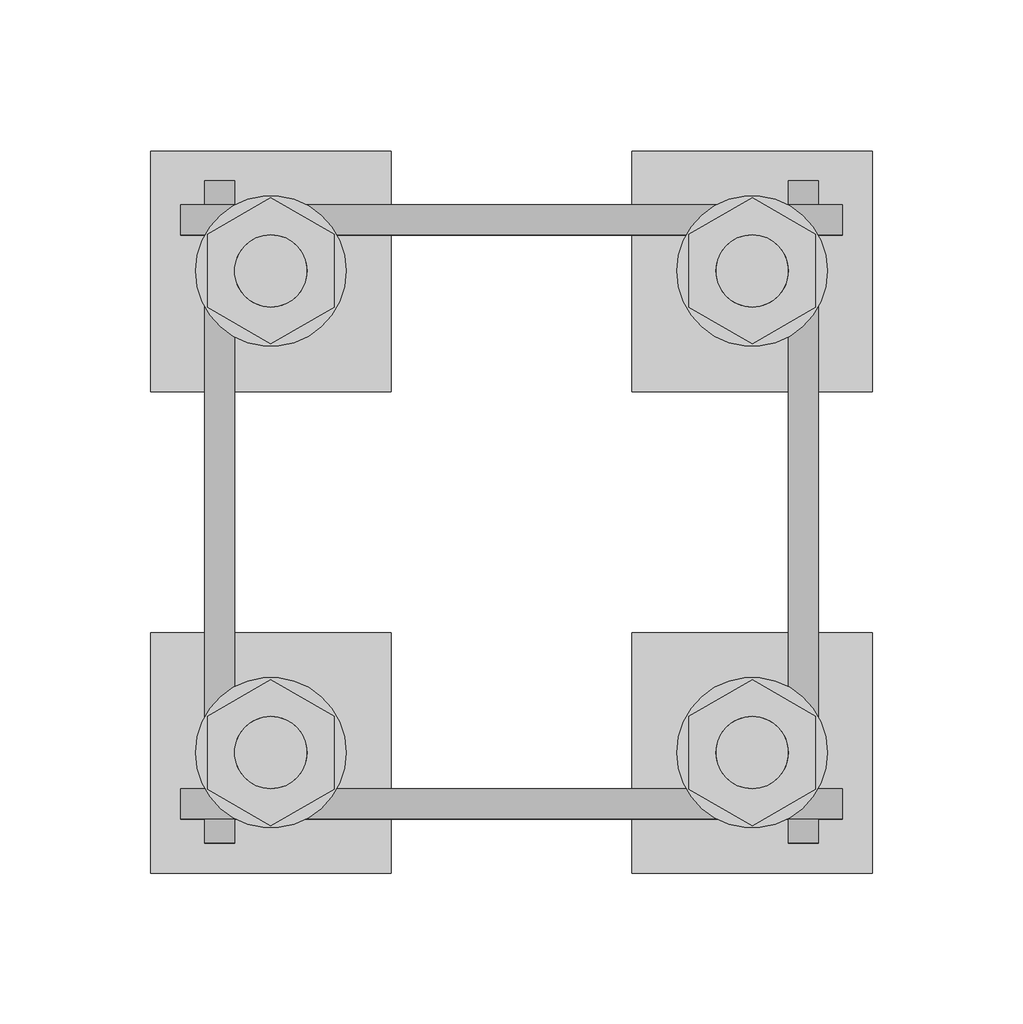
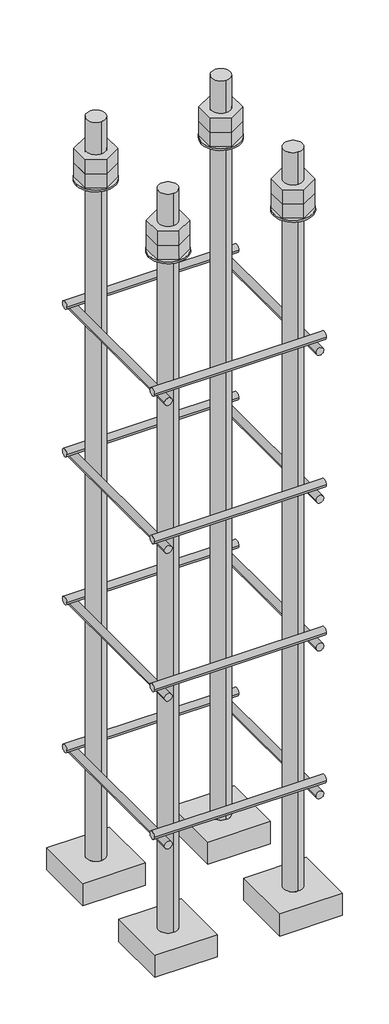
# One storey, part 23 of 66: 1 fastener.
"""IFC4 building model written with IfcOpenShell, lengths in millimetres."""

from ifc_helpers import new_model, si_unit, point, frame, frame_2d, origin, place, context, project, spatial, polyline, circle_curve, trimmed, segment, composite_curve, outline, extrude, element, save
from ifc_brep_helpers import plane_surface, cylinder_surface, advanced_brep

model = new_model("IFC4")

# Units and contexts
model_context = context("Model", 3, world=origin())
ifc_project = project(units=[si_unit("LENGTHUNIT", "METRE", prefix="MILLI")], contexts=[model_context])

# Site, building, storey
site = spatial("IfcSite", under=ifc_project)
building = spatial("IfcBuilding", under=site)
storey = spatial("IfcBuildingStorey", under=building, Elevation=9070.0)

# Fastener
placement = place(None, origin())
element("IfcFastener", 1, ObjectType="AU1 : AU-01", at=placement, inside=storey, context=model_context, shape_type="SolidModel", body=[
    extrude(outline(composite_curve([segment(trimmed(circle_curve(frame_2d((14703.0, 8595.0)), 5.0), [point((14698.0, 8595.0))], [point((14708.0, 8595.0))], False, "CARTESIAN"), True, "CONTINUOUS"), segment(trimmed(circle_curve(frame_2d((14703.0, 8595.0)), 5.0), [point((14708.0, 8595.0))], [point((14698.0, 8595.0))], False, "CARTESIAN"), True, "CONTINUOUS")], self_intersect=False)), frame((53040.0, 0.0, 0.0), z_axis=(1.0, 0.0, 0.0), x_axis=(0.0, 1.0, 0.0)), (0.0, 0.0, 1.0), 220.0),
    extrude(outline(composite_curve([segment(trimmed(circle_curve(frame_2d((14897.0, 8595.0)), 5.0), [point((14902.0, 8595.0))], [point((14892.0, 8595.0))], False, "CARTESIAN"), True, "CONTINUOUS"), segment(trimmed(circle_curve(frame_2d((14897.0, 8595.0)), 5.0), [point((14892.0, 8595.0))], [point((14902.0, 8595.0))], False, "CARTESIAN"), True, "CONTINUOUS")], self_intersect=False)), frame((53040.0, 0.0, 0.0), z_axis=(1.0, 0.0, 0.0), x_axis=(0.0, 1.0, 0.0)), (0.0, 0.0, 1.0), 220.0),
    extrude(outline(composite_curve([segment(trimmed(circle_curve(frame_2d((8585.0, 53053.0)), 5.0), [point((8585.0, 53048.0))], [point((8585.0, 53058.0))], False, "CARTESIAN"), True, "CONTINUOUS"), segment(trimmed(circle_curve(frame_2d((8585.0, 53053.0)), 5.0), [point((8585.0, 53058.0))], [point((8585.0, 53048.0))], False, "CARTESIAN"), True, "CONTINUOUS")], self_intersect=False)), frame((0.0, 14690.0, 0.0), z_axis=(0.0, 1.0, 0.0), x_axis=(0.0, 0.0, 1.0)), (0.0, 0.0, 1.0), 220.0),
    extrude(outline(composite_curve([segment(trimmed(circle_curve(frame_2d((8585.0, 53247.0)), 5.0), [point((8585.0, 53252.0))], [point((8585.0, 53242.0))], False, "CARTESIAN"), True, "CONTINUOUS"), segment(trimmed(circle_curve(frame_2d((8585.0, 53247.0)), 5.0), [point((8585.0, 53242.0))], [point((8585.0, 53252.0))], False, "CARTESIAN"), True, "CONTINUOUS")], self_intersect=False)), frame((0.0, 14690.0, 0.0), z_axis=(0.0, 1.0, 0.0), x_axis=(0.0, 0.0, 1.0)), (0.0, 0.0, 1.0), 220.0),
    extrude(outline(composite_curve([segment(trimmed(circle_curve(frame_2d((14703.0, 8795.0)), 5.0), [point((14698.0, 8795.0))], [point((14708.0, 8795.0))], False, "CARTESIAN"), True, "CONTINUOUS"), segment(trimmed(circle_curve(frame_2d((14703.0, 8795.0)), 5.0), [point((14708.0, 8795.0))], [point((14698.0, 8795.0))], False, "CARTESIAN"), True, "CONTINUOUS")], self_intersect=False)), frame((53040.0, 0.0, 0.0), z_axis=(1.0, 0.0, 0.0), x_axis=(0.0, 1.0, 0.0)), (0.0, 0.0, 1.0), 220.0),
    extrude(outline(composite_curve([segment(trimmed(circle_curve(frame_2d((14897.0, 8795.0)), 5.0), [point((14902.0, 8795.0))], [point((14892.0, 8795.0))], False, "CARTESIAN"), True, "CONTINUOUS"), segment(trimmed(circle_curve(frame_2d((14897.0, 8795.0)), 5.0), [point((14892.0, 8795.0))], [point((14902.0, 8795.0))], False, "CARTESIAN"), True, "CONTINUOUS")], self_intersect=False)), frame((53040.0, 0.0, 0.0), z_axis=(1.0, 0.0, 0.0), x_axis=(0.0, 1.0, 0.0)), (0.0, 0.0, 1.0), 220.0),
    extrude(outline(composite_curve([segment(trimmed(circle_curve(frame_2d((8785.0, 53053.0)), 5.0), [point((8785.0, 53048.0))], [point((8785.0, 53058.0))], False, "CARTESIAN"), True, "CONTINUOUS"), segment(trimmed(circle_curve(frame_2d((8785.0, 53053.0)), 5.0), [point((8785.0, 53058.0))], [point((8785.0, 53048.0))], False, "CARTESIAN"), True, "CONTINUOUS")], self_intersect=False)), frame((0.0, 14690.0, 0.0), z_axis=(0.0, 1.0, 0.0), x_axis=(0.0, 0.0, 1.0)), (0.0, 0.0, 1.0), 220.0),
    extrude(outline(composite_curve([segment(trimmed(circle_curve(frame_2d((8785.0, 53247.0)), 5.0), [point((8785.0, 53252.0))], [point((8785.0, 53242.0))], False, "CARTESIAN"), True, "CONTINUOUS"), segment(trimmed(circle_curve(frame_2d((8785.0, 53247.0)), 5.0), [point((8785.0, 53242.0))], [point((8785.0, 53252.0))], False, "CARTESIAN"), True, "CONTINUOUS")], self_intersect=False)), frame((0.0, 14690.0, 0.0), z_axis=(0.0, 1.0, 0.0), x_axis=(0.0, 0.0, 1.0)), (0.0, 0.0, 1.0), 220.0),
    extrude(outline(composite_curve([segment(trimmed(circle_curve(frame_2d((14703.0, 8995.0)), 5.0), [point((14698.0, 8995.0))], [point((14708.0, 8995.0))], False, "CARTESIAN"), True, "CONTINUOUS"), segment(trimmed(circle_curve(frame_2d((14703.0, 8995.0)), 5.0), [point((14708.0, 8995.0))], [point((14698.0, 8995.0))], False, "CARTESIAN"), True, "CONTINUOUS")], self_intersect=False)), frame((53040.0, 0.0, 0.0), z_axis=(1.0, 0.0, 0.0), x_axis=(0.0, 1.0, 0.0)), (0.0, 0.0, 1.0), 220.0),
    extrude(outline(composite_curve([segment(trimmed(circle_curve(frame_2d((14897.0, 8995.0)), 5.0), [point((14902.0, 8995.0))], [point((14892.0, 8995.0))], False, "CARTESIAN"), True, "CONTINUOUS"), segment(trimmed(circle_curve(frame_2d((14897.0, 8995.0)), 5.0), [point((14892.0, 8995.0))], [point((14902.0, 8995.0))], False, "CARTESIAN"), True, "CONTINUOUS")], self_intersect=False)), frame((53040.0, 0.0, 0.0), z_axis=(1.0, 0.0, 0.0), x_axis=(0.0, 1.0, 0.0)), (0.0, 0.0, 1.0), 220.0),
    extrude(outline(composite_curve([segment(trimmed(circle_curve(frame_2d((8985.0, 53053.0)), 5.0), [point((8985.0, 53048.0))], [point((8985.0, 53058.0))], False, "CARTESIAN"), True, "CONTINUOUS"), segment(trimmed(circle_curve(frame_2d((8985.0, 53053.0)), 5.0), [point((8985.0, 53058.0))], [point((8985.0, 53048.0))], False, "CARTESIAN"), True, "CONTINUOUS")], self_intersect=False)), frame((0.0, 14690.0, 0.0), z_axis=(0.0, 1.0, 0.0), x_axis=(0.0, 0.0, 1.0)), (0.0, 0.0, 1.0), 220.0),
    extrude(outline(composite_curve([segment(trimmed(circle_curve(frame_2d((8985.0, 53247.0)), 5.0), [point((8985.0, 53252.0))], [point((8985.0, 53242.0))], False, "CARTESIAN"), True, "CONTINUOUS"), segment(trimmed(circle_curve(frame_2d((8985.0, 53247.0)), 5.0), [point((8985.0, 53242.0))], [point((8985.0, 53252.0))], False, "CARTESIAN"), True, "CONTINUOUS")], self_intersect=False)), frame((0.0, 14690.0, 0.0), z_axis=(0.0, 1.0, 0.0), x_axis=(0.0, 0.0, 1.0)), (0.0, 0.0, 1.0), 220.0),
    extrude(outline(composite_curve([segment(trimmed(circle_curve(frame_2d((14703.0, 9195.0)), 5.0), [point((14698.0, 9195.0))], [point((14708.0, 9195.0))], False, "CARTESIAN"), True, "CONTINUOUS"), segment(trimmed(circle_curve(frame_2d((14703.0, 9195.0)), 5.0), [point((14708.0, 9195.0))], [point((14698.0, 9195.0))], False, "CARTESIAN"), True, "CONTINUOUS")], self_intersect=False)), frame((53040.0, 0.0, 0.0), z_axis=(1.0, 0.0, 0.0), x_axis=(0.0, 1.0, 0.0)), (0.0, 0.0, 1.0), 220.0),
    extrude(outline(composite_curve([segment(trimmed(circle_curve(frame_2d((14897.0, 9195.0)), 5.0), [point((14902.0, 9195.0))], [point((14892.0, 9195.0))], False, "CARTESIAN"), True, "CONTINUOUS"), segment(trimmed(circle_curve(frame_2d((14897.0, 9195.0)), 5.0), [point((14892.0, 9195.0))], [point((14902.0, 9195.0))], False, "CARTESIAN"), True, "CONTINUOUS")], self_intersect=False)), frame((53040.0, 0.0, 0.0), z_axis=(1.0, 0.0, 0.0), x_axis=(0.0, 1.0, 0.0)), (0.0, 0.0, 1.0), 220.0),
    extrude(outline(composite_curve([segment(trimmed(circle_curve(frame_2d((9185.0, 53053.0)), 5.0), [point((9185.0, 53048.0))], [point((9185.0, 53058.0))], False, "CARTESIAN"), True, "CONTINUOUS"), segment(trimmed(circle_curve(frame_2d((9185.0, 53053.0)), 5.0), [point((9185.0, 53058.0))], [point((9185.0, 53048.0))], False, "CARTESIAN"), True, "CONTINUOUS")], self_intersect=False)), frame((0.0, 14690.0, 0.0), z_axis=(0.0, 1.0, 0.0), x_axis=(0.0, 0.0, 1.0)), (0.0, 0.0, 1.0), 220.0),
    extrude(outline(composite_curve([segment(trimmed(circle_curve(frame_2d((9185.0, 53247.0)), 5.0), [point((9185.0, 53252.0))], [point((9185.0, 53242.0))], False, "CARTESIAN"), True, "CONTINUOUS"), segment(trimmed(circle_curve(frame_2d((9185.0, 53247.0)), 5.0), [point((9185.0, 53242.0))], [point((9185.0, 53252.0))], False, "CARTESIAN"), True, "CONTINUOUS")], self_intersect=False)), frame((0.0, 14690.0, 0.0), z_axis=(0.0, 1.0, 0.0), x_axis=(0.0, 0.0, 1.0)), (0.0, 0.0, 1.0), 220.0),
    advanced_brep(
    [(53110.0, 14920.0, 8450.0), (53030.0, 14920.0, 8450.0), (53030.0, 14840.0, 8450.0), (53110.0, 14840.0, 8450.0), (53070.0, 14868.0, 8450.0), (53070.0, 14892.0, 8450.0), (53110.0, 14920.0, 8420.0), (53110.0, 14840.0, 8420.0), (53030.0, 14840.0, 8420.0), (53030.0, 14920.0, 8420.0), (53070.0, 14892.0, 9450.0), (53070.0, 14868.0, 9450.0)],
    [
        (0, 1),
        (1, 2),
        (2, 3),
        (3, 0),
        (4, 5, circle_curve(frame((53070.0, 14880.0, 8450.0), z_axis=(0.0, 0.0, -1.0), x_axis=(0.0, -1.0, 0.0)), 12.0)),
        (5, 4, circle_curve(frame((53070.0, 14880.0, 8450.0), z_axis=(0.0, 0.0, -1.0), x_axis=(0.0, -1.0, 0.0)), 12.0)),
        (6, 7),
        (7, 8),
        (8, 9),
        (9, 6),
        (0, 6),
        (9, 1),
        (8, 2),
        (7, 3),
        (10, 11, circle_curve(frame((53070.0, 14880.0, 9450.0), z_axis=(0.0, 0.0, 1.0), x_axis=(0.0, -1.0, 0.0)), 12.0)),
        (11, 10, circle_curve(frame((53070.0, 14880.0, 9450.0), z_axis=(0.0, 0.0, 1.0), x_axis=(0.0, -1.0, 0.0)), 12.0)),
        (10, 5),
        (4, 11),
    ],
    [
        plane_surface(frame((53030.0, 14920.0, 8450.0), z_axis=(0.0, 0.0, 1.0), x_axis=(-1.0, 0.0, 0.0))),
        plane_surface(frame((53030.0, 14920.0, 8420.0), z_axis=(0.0, 0.0, -1.0), x_axis=(1.0, 0.0, 0.0))),
        plane_surface(frame((53110.0, 14920.0, 8450.0), z_axis=(0.0, 1.0, 0.0), x_axis=(0.0, 0.0, -1.0))),
        plane_surface(frame((53030.0, 14920.0, 8450.0), z_axis=(-1.0, 0.0, 0.0), x_axis=(0.0, 0.0, -1.0))),
        plane_surface(frame((53030.0, 14840.0, 8450.0), z_axis=(0.0, -1.0, 0.0), x_axis=(0.0, 0.0, -1.0))),
        plane_surface(frame((53110.0, 14840.0, 8450.0), z_axis=(1.0, 0.0, 0.0), x_axis=(0.0, 0.0, -1.0))),
        plane_surface(frame((53070.0, 14880.0, 9450.0), z_axis=(0.0, 0.0, 1.0), x_axis=(0.0, -1.0, 0.0))),
        cylinder_surface(frame((53070.0, 14880.0, 9450.0), z_axis=(0.0, 0.0, 1.0), x_axis=(0.0, -1.0, 0.0)), 12.0),
    ],
    [
        (0, [[1, 2, 3, 4], [5, 6]]),
        (1, [[7, 8, 9, 10]]),
        (2, [[-1, 11, -10, 12]]),
        (3, [[-2, -12, -9, 13]]),
        (4, [[-3, -13, -8, 14]]),
        (5, [[-4, -14, -7, -11]]),
        (6, [[15, 16]]),
        (7, [[-15, 17, -5, 18]]),
        (7, [[-16, -18, -6, -17]]),
    ],
),
    extrude(outline(composite_curve([segment(trimmed(circle_curve(frame_2d((53070.0, 14880.0)), 25.0), [point((53095.0, 14880.0))], [point((53045.0, 14880.0))], False, "CARTESIAN"), True, "CONTINUOUS"), segment(trimmed(circle_curve(frame_2d((53070.0, 14880.0)), 25.0), [point((53045.0, 14880.0))], [point((53095.0, 14880.0))], False, "CARTESIAN"), True, "CONTINUOUS")], self_intersect=False), holes=[composite_curve([segment(trimmed(circle_curve(frame_2d((53070.0, 14880.0)), 12.0), [point((53082.0, 14880.0))], [point((53058.0, 14880.0))], True, "CARTESIAN"), True, "CONTINUOUS"), segment(trimmed(circle_curve(frame_2d((53070.0, 14880.0)), 12.0), [point((53058.0, 14880.0))], [point((53082.0, 14880.0))], True, "CARTESIAN"), True, "CONTINUOUS")], self_intersect=False)]), frame((0.0, 0.0, 9365.0), z_axis=(0.0, 0.0, 1.0), x_axis=(1.0, 0.0, 0.0)), (0.0, 0.0, 1.0), 2.5),
    extrude(outline(polyline([(53070.0, 14904.2487113), (53091.0, 14892.1243557), (53091.0, 14867.8756443), (53070.0, 14855.7512887), (53049.0, 14867.8756443), (53049.0, 14892.1243557), (53070.0, 14904.2487113)]), holes=[composite_curve([segment(trimmed(circle_curve(frame_2d((53070.0, 14880.0)), 12.0), [point((53082.0, 14880.0))], [point((53058.0, 14880.0))], True, "CARTESIAN"), True, "CONTINUOUS"), segment(trimmed(circle_curve(frame_2d((53070.0, 14880.0)), 12.0), [point((53058.0, 14880.0))], [point((53082.0, 14880.0))], True, "CARTESIAN"), True, "CONTINUOUS")], self_intersect=False)]), frame((0.0, 0.0, 9387.0), z_axis=(0.0, 0.0, 1.0), x_axis=(1.0, 0.0, 0.0)), (0.0, 0.0, 1.0), 19.5),
    extrude(outline(polyline([(53070.0, 14904.2487113), (53091.0, 14892.1243557), (53091.0, 14867.8756443), (53070.0, 14855.7512887), (53049.0, 14867.8756443), (53049.0, 14892.1243557), (53070.0, 14904.2487113)]), holes=[composite_curve([segment(trimmed(circle_curve(frame_2d((53070.0, 14880.0)), 12.0), [point((53082.0, 14880.0))], [point((53058.0, 14880.0))], True, "CARTESIAN"), True, "CONTINUOUS"), segment(trimmed(circle_curve(frame_2d((53070.0, 14880.0)), 12.0), [point((53058.0, 14880.0))], [point((53082.0, 14880.0))], True, "CARTESIAN"), True, "CONTINUOUS")], self_intersect=False)]), frame((0.0, 0.0, 9367.5), z_axis=(0.0, 0.0, 1.0), x_axis=(1.0, 0.0, 0.0)), (0.0, 0.0, 1.0), 19.5),
    advanced_brep(
    [(53190.0, 14840.0, 8450.0), (53270.0, 14840.0, 8450.0), (53270.0, 14920.0, 8450.0), (53190.0, 14920.0, 8450.0), (53230.0, 14892.0, 8450.0), (53230.0, 14868.0, 8450.0), (53190.0, 14840.0, 8420.0), (53190.0, 14920.0, 8420.0), (53270.0, 14920.0, 8420.0), (53270.0, 14840.0, 8420.0), (53230.0, 14868.0, 9450.0), (53230.0, 14892.0, 9450.0)],
    [
        (0, 1),
        (1, 2),
        (2, 3),
        (3, 0),
        (4, 5, circle_curve(frame((53230.0, 14880.0, 8450.0), z_axis=(0.0, 0.0, -1.0), x_axis=(0.0, 1.0, 0.0)), 12.0)),
        (5, 4, circle_curve(frame((53230.0, 14880.0, 8450.0), z_axis=(0.0, 0.0, -1.0), x_axis=(0.0, 1.0, 0.0)), 12.0)),
        (6, 7),
        (7, 8),
        (8, 9),
        (9, 6),
        (0, 6),
        (9, 1),
        (8, 2),
        (7, 3),
        (10, 11, circle_curve(frame((53230.0, 14880.0, 9450.0), z_axis=(0.0, 0.0, 1.0), x_axis=(0.0, 1.0, 0.0)), 12.0)),
        (11, 10, circle_curve(frame((53230.0, 14880.0, 9450.0), z_axis=(0.0, 0.0, 1.0), x_axis=(0.0, 1.0, 0.0)), 12.0)),
        (10, 5),
        (4, 11),
    ],
    [
        plane_surface(frame((53270.0, 14840.0, 8450.0), z_axis=(0.0, 0.0, 1.0), x_axis=(1.0, 0.0, 0.0))),
        plane_surface(frame((53270.0, 14840.0, 8420.0), z_axis=(0.0, 0.0, -1.0), x_axis=(-1.0, 0.0, 0.0))),
        plane_surface(frame((53190.0, 14840.0, 8450.0), z_axis=(0.0, -1.0, 0.0), x_axis=(0.0, 0.0, -1.0))),
        plane_surface(frame((53270.0, 14840.0, 8450.0), z_axis=(1.0, 0.0, 0.0), x_axis=(0.0, 0.0, -1.0))),
        plane_surface(frame((53270.0, 14920.0, 8450.0), z_axis=(0.0, 1.0, 0.0), x_axis=(0.0, 0.0, -1.0))),
        plane_surface(frame((53190.0, 14920.0, 8450.0), z_axis=(-1.0, 0.0, 0.0), x_axis=(0.0, 0.0, -1.0))),
        plane_surface(frame((53230.0, 14880.0, 9450.0), z_axis=(0.0, 0.0, 1.0), x_axis=(0.0, 1.0, 0.0))),
        cylinder_surface(frame((53230.0, 14880.0, 9450.0), z_axis=(0.0, 0.0, 1.0), x_axis=(0.0, 1.0, 0.0)), 12.0),
    ],
    [
        (0, [[1, 2, 3, 4], [5, 6]]),
        (1, [[7, 8, 9, 10]]),
        (2, [[-1, 11, -10, 12]]),
        (3, [[-2, -12, -9, 13]]),
        (4, [[-3, -13, -8, 14]]),
        (5, [[-4, -14, -7, -11]]),
        (6, [[15, 16]]),
        (7, [[-15, 17, -5, 18]]),
        (7, [[-16, -18, -6, -17]]),
    ],
),
    extrude(outline(composite_curve([segment(trimmed(circle_curve(frame_2d((53230.0, 14880.0)), 25.0), [point((53205.0, 14880.0))], [point((53255.0, 14880.0))], False, "CARTESIAN"), True, "CONTINUOUS"), segment(trimmed(circle_curve(frame_2d((53230.0, 14880.0)), 25.0), [point((53255.0, 14880.0))], [point((53205.0, 14880.0))], False, "CARTESIAN"), True, "CONTINUOUS")], self_intersect=False), holes=[composite_curve([segment(trimmed(circle_curve(frame_2d((53230.0, 14880.0)), 12.0), [point((53218.0, 14880.0))], [point((53242.0, 14880.0))], True, "CARTESIAN"), True, "CONTINUOUS"), segment(trimmed(circle_curve(frame_2d((53230.0, 14880.0)), 12.0), [point((53242.0, 14880.0))], [point((53218.0, 14880.0))], True, "CARTESIAN"), True, "CONTINUOUS")], self_intersect=False)]), frame((0.0, 0.0, 9365.0), z_axis=(0.0, 0.0, 1.0), x_axis=(1.0, 0.0, 0.0)), (0.0, 0.0, 1.0), 2.5),
    extrude(outline(polyline([(53230.0, 14855.7512887), (53209.0, 14867.8756443), (53209.0, 14892.1243557), (53230.0, 14904.2487113), (53251.0, 14892.1243557), (53251.0, 14867.8756443), (53230.0, 14855.7512887)]), holes=[composite_curve([segment(trimmed(circle_curve(frame_2d((53230.0, 14880.0)), 12.0), [point((53218.0, 14880.0))], [point((53242.0, 14880.0))], True, "CARTESIAN"), True, "CONTINUOUS"), segment(trimmed(circle_curve(frame_2d((53230.0, 14880.0)), 12.0), [point((53242.0, 14880.0))], [point((53218.0, 14880.0))], True, "CARTESIAN"), True, "CONTINUOUS")], self_intersect=False)]), frame((0.0, 0.0, 9387.0), z_axis=(0.0, 0.0, 1.0), x_axis=(1.0, 0.0, 0.0)), (0.0, 0.0, 1.0), 19.5),
    extrude(outline(polyline([(53230.0, 14855.7512887), (53209.0, 14867.8756443), (53209.0, 14892.1243557), (53230.0, 14904.2487113), (53251.0, 14892.1243557), (53251.0, 14867.8756443), (53230.0, 14855.7512887)]), holes=[composite_curve([segment(trimmed(circle_curve(frame_2d((53230.0, 14880.0)), 12.0), [point((53218.0, 14880.0))], [point((53242.0, 14880.0))], True, "CARTESIAN"), True, "CONTINUOUS"), segment(trimmed(circle_curve(frame_2d((53230.0, 14880.0)), 12.0), [point((53242.0, 14880.0))], [point((53218.0, 14880.0))], True, "CARTESIAN"), True, "CONTINUOUS")], self_intersect=False)]), frame((0.0, 0.0, 9367.5), z_axis=(0.0, 0.0, 1.0), x_axis=(1.0, 0.0, 0.0)), (0.0, 0.0, 1.0), 19.5),
    advanced_brep(
    [(53190.0, 14680.0, 8450.0), (53270.0, 14680.0, 8450.0), (53270.0, 14760.0, 8450.0), (53190.0, 14760.0, 8450.0), (53230.0, 14732.0, 8450.0), (53230.0, 14708.0, 8450.0), (53190.0, 14680.0, 8420.0), (53190.0, 14760.0, 8420.0), (53270.0, 14760.0, 8420.0), (53270.0, 14680.0, 8420.0), (53230.0, 14708.0, 9450.0), (53230.0, 14732.0, 9450.0)],
    [
        (0, 1),
        (1, 2),
        (2, 3),
        (3, 0),
        (4, 5, circle_curve(frame((53230.0, 14720.0, 8450.0), z_axis=(0.0, 0.0, -1.0), x_axis=(0.0, 1.0, 0.0)), 12.0)),
        (5, 4, circle_curve(frame((53230.0, 14720.0, 8450.0), z_axis=(0.0, 0.0, -1.0), x_axis=(0.0, 1.0, 0.0)), 12.0)),
        (6, 7),
        (7, 8),
        (8, 9),
        (9, 6),
        (0, 6),
        (9, 1),
        (8, 2),
        (7, 3),
        (10, 11, circle_curve(frame((53230.0, 14720.0, 9450.0), z_axis=(0.0, 0.0, 1.0), x_axis=(0.0, 1.0, 0.0)), 12.0)),
        (11, 10, circle_curve(frame((53230.0, 14720.0, 9450.0), z_axis=(0.0, 0.0, 1.0), x_axis=(0.0, 1.0, 0.0)), 12.0)),
        (10, 5),
        (4, 11),
    ],
    [
        plane_surface(frame((53270.0, 14680.0, 8450.0), z_axis=(0.0, 0.0, 1.0), x_axis=(1.0, 0.0, 0.0))),
        plane_surface(frame((53270.0, 14680.0, 8420.0), z_axis=(0.0, 0.0, -1.0), x_axis=(-1.0, 0.0, 0.0))),
        plane_surface(frame((53190.0, 14680.0, 8450.0), z_axis=(0.0, -1.0, 0.0), x_axis=(0.0, 0.0, -1.0))),
        plane_surface(frame((53270.0, 14680.0, 8450.0), z_axis=(1.0, 0.0, 0.0), x_axis=(0.0, 0.0, -1.0))),
        plane_surface(frame((53270.0, 14760.0, 8450.0), z_axis=(0.0, 1.0, 0.0), x_axis=(0.0, 0.0, -1.0))),
        plane_surface(frame((53190.0, 14760.0, 8450.0), z_axis=(-1.0, 0.0, 0.0), x_axis=(0.0, 0.0, -1.0))),
        plane_surface(frame((53230.0, 14720.0, 9450.0), z_axis=(0.0, 0.0, 1.0), x_axis=(0.0, 1.0, 0.0))),
        cylinder_surface(frame((53230.0, 14720.0, 9450.0), z_axis=(0.0, 0.0, 1.0), x_axis=(0.0, 1.0, 0.0)), 12.0),
    ],
    [
        (0, [[1, 2, 3, 4], [5, 6]]),
        (1, [[7, 8, 9, 10]]),
        (2, [[-1, 11, -10, 12]]),
        (3, [[-2, -12, -9, 13]]),
        (4, [[-3, -13, -8, 14]]),
        (5, [[-4, -14, -7, -11]]),
        (6, [[15, 16]]),
        (7, [[-15, 17, -5, 18]]),
        (7, [[-16, -18, -6, -17]]),
    ],
),
    extrude(outline(composite_curve([segment(trimmed(circle_curve(frame_2d((53230.0, 14720.0)), 25.0), [point((53205.0, 14720.0))], [point((53255.0, 14720.0))], False, "CARTESIAN"), True, "CONTINUOUS"), segment(trimmed(circle_curve(frame_2d((53230.0, 14720.0)), 25.0), [point((53255.0, 14720.0))], [point((53205.0, 14720.0))], False, "CARTESIAN"), True, "CONTINUOUS")], self_intersect=False), holes=[composite_curve([segment(trimmed(circle_curve(frame_2d((53230.0, 14720.0)), 12.0), [point((53218.0, 14720.0))], [point((53242.0, 14720.0))], True, "CARTESIAN"), True, "CONTINUOUS"), segment(trimmed(circle_curve(frame_2d((53230.0, 14720.0)), 12.0), [point((53242.0, 14720.0))], [point((53218.0, 14720.0))], True, "CARTESIAN"), True, "CONTINUOUS")], self_intersect=False)]), frame((0.0, 0.0, 9365.0), z_axis=(0.0, 0.0, 1.0), x_axis=(1.0, 0.0, 0.0)), (0.0, 0.0, 1.0), 2.5),
    extrude(outline(polyline([(53230.0, 14695.7512887), (53209.0, 14707.8756443), (53209.0, 14732.1243557), (53230.0, 14744.2487113), (53251.0, 14732.1243557), (53251.0, 14707.8756443), (53230.0, 14695.7512887)]), holes=[composite_curve([segment(trimmed(circle_curve(frame_2d((53230.0, 14720.0)), 12.0), [point((53218.0, 14720.0))], [point((53242.0, 14720.0))], True, "CARTESIAN"), True, "CONTINUOUS"), segment(trimmed(circle_curve(frame_2d((53230.0, 14720.0)), 12.0), [point((53242.0, 14720.0))], [point((53218.0, 14720.0))], True, "CARTESIAN"), True, "CONTINUOUS")], self_intersect=False)]), frame((0.0, 0.0, 9387.0), z_axis=(0.0, 0.0, 1.0), x_axis=(1.0, 0.0, 0.0)), (0.0, 0.0, 1.0), 19.5),
    extrude(outline(polyline([(53230.0, 14695.7512887), (53209.0, 14707.8756443), (53209.0, 14732.1243557), (53230.0, 14744.2487113), (53251.0, 14732.1243557), (53251.0, 14707.8756443), (53230.0, 14695.7512887)]), holes=[composite_curve([segment(trimmed(circle_curve(frame_2d((53230.0, 14720.0)), 12.0), [point((53218.0, 14720.0))], [point((53242.0, 14720.0))], True, "CARTESIAN"), True, "CONTINUOUS"), segment(trimmed(circle_curve(frame_2d((53230.0, 14720.0)), 12.0), [point((53242.0, 14720.0))], [point((53218.0, 14720.0))], True, "CARTESIAN"), True, "CONTINUOUS")], self_intersect=False)]), frame((0.0, 0.0, 9367.5), z_axis=(0.0, 0.0, 1.0), x_axis=(1.0, 0.0, 0.0)), (0.0, 0.0, 1.0), 19.5),
    advanced_brep(
    [(53110.0, 14760.0, 8450.0), (53030.0, 14760.0, 8450.0), (53030.0, 14680.0, 8450.0), (53110.0, 14680.0, 8450.0), (53070.0, 14708.0, 8450.0), (53070.0, 14732.0, 8450.0), (53110.0, 14760.0, 8420.0), (53110.0, 14680.0, 8420.0), (53030.0, 14680.0, 8420.0), (53030.0, 14760.0, 8420.0), (53070.0, 14732.0, 9450.0), (53070.0, 14708.0, 9450.0)],
    [
        (0, 1),
        (1, 2),
        (2, 3),
        (3, 0),
        (4, 5, circle_curve(frame((53070.0, 14720.0, 8450.0), z_axis=(0.0, 0.0, -1.0), x_axis=(0.0, -1.0, 0.0)), 12.0)),
        (5, 4, circle_curve(frame((53070.0, 14720.0, 8450.0), z_axis=(0.0, 0.0, -1.0), x_axis=(0.0, -1.0, 0.0)), 12.0)),
        (6, 7),
        (7, 8),
        (8, 9),
        (9, 6),
        (0, 6),
        (9, 1),
        (8, 2),
        (7, 3),
        (10, 11, circle_curve(frame((53070.0, 14720.0, 9450.0), z_axis=(0.0, 0.0, 1.0), x_axis=(0.0, -1.0, 0.0)), 12.0)),
        (11, 10, circle_curve(frame((53070.0, 14720.0, 9450.0), z_axis=(0.0, 0.0, 1.0), x_axis=(0.0, -1.0, 0.0)), 12.0)),
        (10, 5),
        (4, 11),
    ],
    [
        plane_surface(frame((53030.0, 14760.0, 8450.0), z_axis=(0.0, 0.0, 1.0), x_axis=(-1.0, 0.0, 0.0))),
        plane_surface(frame((53030.0, 14760.0, 8420.0), z_axis=(0.0, 0.0, -1.0), x_axis=(1.0, 0.0, 0.0))),
        plane_surface(frame((53110.0, 14760.0, 8450.0), z_axis=(0.0, 1.0, 0.0), x_axis=(0.0, 0.0, -1.0))),
        plane_surface(frame((53030.0, 14760.0, 8450.0), z_axis=(-1.0, 0.0, 0.0), x_axis=(0.0, 0.0, -1.0))),
        plane_surface(frame((53030.0, 14680.0, 8450.0), z_axis=(0.0, -1.0, 0.0), x_axis=(0.0, 0.0, -1.0))),
        plane_surface(frame((53110.0, 14680.0, 8450.0), z_axis=(1.0, 0.0, 0.0), x_axis=(0.0, 0.0, -1.0))),
        plane_surface(frame((53070.0, 14720.0, 9450.0), z_axis=(0.0, 0.0, 1.0), x_axis=(0.0, -1.0, 0.0))),
        cylinder_surface(frame((53070.0, 14720.0, 9450.0), z_axis=(0.0, 0.0, 1.0), x_axis=(0.0, -1.0, 0.0)), 12.0),
    ],
    [
        (0, [[1, 2, 3, 4], [5, 6]]),
        (1, [[7, 8, 9, 10]]),
        (2, [[-1, 11, -10, 12]]),
        (3, [[-2, -12, -9, 13]]),
        (4, [[-3, -13, -8, 14]]),
        (5, [[-4, -14, -7, -11]]),
        (6, [[15, 16]]),
        (7, [[-15, 17, -5, 18]]),
        (7, [[-16, -18, -6, -17]]),
    ],
),
    extrude(outline(composite_curve([segment(trimmed(circle_curve(frame_2d((53070.0, 14720.0)), 25.0), [point((53095.0, 14720.0))], [point((53045.0, 14720.0))], False, "CARTESIAN"), True, "CONTINUOUS"), segment(trimmed(circle_curve(frame_2d((53070.0, 14720.0)), 25.0), [point((53045.0, 14720.0))], [point((53095.0, 14720.0))], False, "CARTESIAN"), True, "CONTINUOUS")], self_intersect=False), holes=[composite_curve([segment(trimmed(circle_curve(frame_2d((53070.0, 14720.0)), 12.0), [point((53082.0, 14720.0))], [point((53058.0, 14720.0))], True, "CARTESIAN"), True, "CONTINUOUS"), segment(trimmed(circle_curve(frame_2d((53070.0, 14720.0)), 12.0), [point((53058.0, 14720.0))], [point((53082.0, 14720.0))], True, "CARTESIAN"), True, "CONTINUOUS")], self_intersect=False)]), frame((0.0, 0.0, 9365.0), z_axis=(0.0, 0.0, 1.0), x_axis=(1.0, 0.0, 0.0)), (0.0, 0.0, 1.0), 2.5),
    extrude(outline(polyline([(53070.0, 14744.2487113), (53091.0, 14732.1243557), (53091.0, 14707.8756443), (53070.0, 14695.7512887), (53049.0, 14707.8756443), (53049.0, 14732.1243557), (53070.0, 14744.2487113)]), holes=[composite_curve([segment(trimmed(circle_curve(frame_2d((53070.0, 14720.0)), 12.0), [point((53082.0, 14720.0))], [point((53058.0, 14720.0))], True, "CARTESIAN"), True, "CONTINUOUS"), segment(trimmed(circle_curve(frame_2d((53070.0, 14720.0)), 12.0), [point((53058.0, 14720.0))], [point((53082.0, 14720.0))], True, "CARTESIAN"), True, "CONTINUOUS")], self_intersect=False)]), frame((0.0, 0.0, 9387.0), z_axis=(0.0, 0.0, 1.0), x_axis=(1.0, 0.0, 0.0)), (0.0, 0.0, 1.0), 19.5),
    extrude(outline(polyline([(53070.0, 14744.2487113), (53091.0, 14732.1243557), (53091.0, 14707.8756443), (53070.0, 14695.7512887), (53049.0, 14707.8756443), (53049.0, 14732.1243557), (53070.0, 14744.2487113)]), holes=[composite_curve([segment(trimmed(circle_curve(frame_2d((53070.0, 14720.0)), 12.0), [point((53082.0, 14720.0))], [point((53058.0, 14720.0))], True, "CARTESIAN"), True, "CONTINUOUS"), segment(trimmed(circle_curve(frame_2d((53070.0, 14720.0)), 12.0), [point((53058.0, 14720.0))], [point((53082.0, 14720.0))], True, "CARTESIAN"), True, "CONTINUOUS")], self_intersect=False)]), frame((0.0, 0.0, 9367.5), z_axis=(0.0, 0.0, 1.0), x_axis=(1.0, 0.0, 0.0)), (0.0, 0.0, 1.0), 19.5),
])

save(model, "model.ifc")
